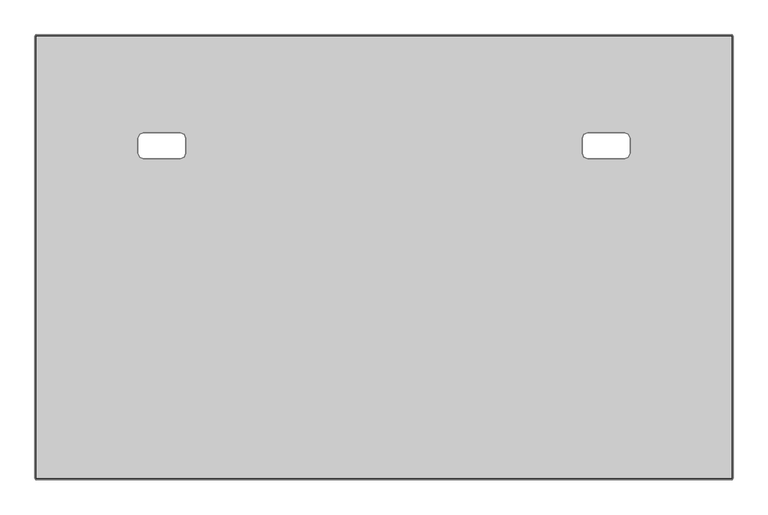
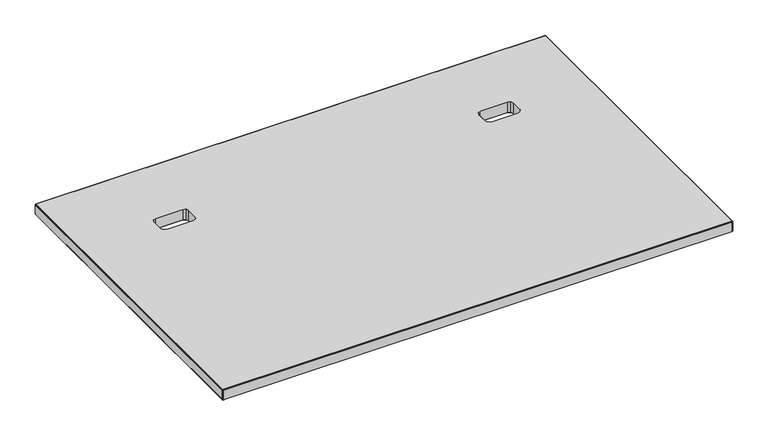
"""IFC4 building model written with IfcOpenShell, lengths in millimetres: furniture geometry."""

from ifc_helpers import new_model, si_unit, origin, place, context, project, spatial, triangles, source, transform, mapped, element, save


def furniture_ffc5294e(model_context):
    return source(origin(), model_context, "Body", "Tessellation", [
        triangles([(254.3709924, -267.0343909, 738.1239864), (2.634996, -824.6684132, 738.1239864), (1216.5250179, -824.6684132, 738.1239864), (964.7890028, -267.0343909, 738.1239864), (263.9009884, -257.5043949, 738.1239864), (955.2589886, -257.5043949, 738.1239864), (958.0502426, -264.2431187, 738.1239864), (261.1097162, -264.2431187, 738.1239864), (263.9009884, -231.098394, 738.1239864), (955.2589886, -231.098394, 738.1239864), (189.8649915, -267.0343909, 738.1239864), (183.1262677, -264.2431187, 738.1239864), (180.3349955, -257.5043949, 738.1239864), (2.634996, -52.9523956, 738.1239864), (180.3349955, -231.098394, 738.1239864), (958.0502426, -224.3596702, 738.1239864), (261.1097162, -224.3596702, 738.1239864), (254.3709924, -221.568398, 738.1239864), (964.7890028, -221.568398, 738.1239864), (183.1262677, -224.3596702, 738.1239864), (189.8649915, -221.568398, 738.1239864), (1216.5250179, -52.9523956, 738.1239864), (1029.2950218, -267.0343909, 738.1239864), (1036.0337093, -264.2431187, 738.1239864), (1038.8249634, -257.5043949, 738.1239864), (1038.8249634, -231.098394, 738.1239864), (1036.0337093, -224.3596702, 738.1239864), (1029.2950218, -221.568398, 738.1239864), (964.7890028, -267.0343909, 711.1999758), (1216.5250179, -824.6684132, 711.1999758), (2.634996, -824.6684132, 711.1999758), (254.3709924, -267.0343909, 711.1999758), (261.1097162, -264.2431187, 711.1999758), (958.0502426, -264.2431187, 711.1999758), (955.2589886, -257.5043949, 711.1999758), (263.9009884, -257.5043949, 711.1999758), (955.2589886, -231.098394, 711.1999758), (263.9009884, -231.098394, 711.1999758), (189.8649915, -267.0343909, 711.1999758), (183.1262677, -264.2431187, 711.1999758), (180.3349955, -257.5043949, 711.1999758), (180.3349955, -231.098394, 711.1999758), (2.634996, -52.9523956, 711.1999758), (261.1097162, -224.3596702, 711.1999758), (958.0502426, -224.3596702, 711.1999758), (254.3709924, -221.568398, 711.1999758), (964.7890028, -221.568398, 711.1999758), (183.1262677, -224.3596702, 711.1999758), (189.8649915, -221.568398, 711.1999758), (1216.5250179, -52.9523956, 711.1999758), (1029.2950218, -267.0343909, 711.1999758), (1036.0337093, -264.2431187, 711.1999758), (1038.8249634, -257.5043949, 711.1999758), (1038.8249634, -231.098394, 711.1999758), (1036.0337093, -224.3596702, 711.1999758), (1029.2950218, -221.568398, 711.1999758)], [[1, 2, 3], [1, 3, 4], [5, 6, 7], [5, 7, 8], [8, 7, 4], [8, 4, 1], [9, 5, 6], [9, 6, 10], [11, 2, 1], [12, 2, 11], [13, 2, 12], [14, 2, 13], [14, 13, 15], [9, 10, 16], [9, 16, 17], [17, 16, 18], [16, 19, 18], [14, 15, 20], [14, 20, 21], [14, 18, 19], [14, 19, 22], [14, 21, 18], [23, 4, 3], [24, 23, 3], [25, 24, 3], [26, 25, 3], [26, 3, 22], [22, 27, 26], [22, 28, 27], [22, 19, 28], [29, 30, 31], [29, 31, 32], [33, 34, 35], [33, 35, 36], [32, 29, 34], [32, 34, 33], [37, 35, 36], [37, 36, 38], [39, 32, 31], [40, 39, 31], [41, 40, 31], [42, 41, 43], [41, 31, 43], [44, 45, 37], [44, 37, 38], [46, 47, 45], [46, 45, 44], [43, 48, 42], [43, 49, 48], [50, 47, 46], [50, 46, 43], [43, 46, 49], [51, 30, 29], [52, 30, 51], [53, 30, 52], [50, 30, 53], [50, 53, 54], [50, 54, 55], [50, 55, 56], [50, 56, 47]], closed=False),
        triangles([(0.634996, -824.6684132, 736.1240358), (1.2207825, -826.0826437, 736.1240358), (1.634996, -825.6684248, 737.5381937), (1.2207825, -824.6684132, 737.5381937), (2.634996, -824.6684132, 738.1239864), (2.634996, -826.0826437, 737.5381937), (2.634996, -826.6683638, 736.1240358), (0.634996, -824.6684132, 713.199999), (1.2207825, -826.0826437, 713.199999), (2.634996, -826.6683638, 713.199999), (0.634996, -52.9523956, 736.1240358), (1.2207825, -51.5381832, 736.1240358), (1.634996, -51.9523976, 737.5381937), (1.2207825, -52.9523956, 737.5381937), (2.634996, -52.9523956, 738.1239864), (2.634996, -51.5381832, 737.5381937), (2.634996, -50.952395, 736.1240358), (0.634996, -52.9523956, 713.199999), (1.2207825, -51.5381832, 713.199999), (2.634996, -50.952395, 713.199999), (1218.5395752, -824.6684132, 736.1240358), (1217.9537825, -826.0826437, 736.1240358), (1217.5395636, -825.6684248, 737.5381937), (1217.9537825, -824.6684132, 737.5381937), (1216.5396246, -824.6684132, 738.1239864), (1216.5396246, -826.0826437, 737.5381937), (1216.5396246, -826.6683638, 736.1240358), (1218.5395752, -824.6684132, 713.199999), (1217.9537825, -826.0826437, 713.199999), (1216.5396246, -826.6683638, 713.199999), (1218.5395752, -52.9523956, 736.1240358), (1217.9537825, -51.5381832, 736.1240358), (1217.9537825, -52.9523956, 737.5381937), (1217.5395636, -51.9523976, 737.5381937), (1216.5396246, -52.9523956, 738.1239864), (1216.5396246, -51.5381832, 737.5381937), (1216.5396246, -50.952395, 736.1240358), (1218.5395752, -52.9523956, 713.199999), (1217.9537825, -51.5381832, 713.199999), (1216.5396246, -50.952395, 713.199999), (1.634996, -825.6684248, 711.7857685), (1.2207825, -824.6684132, 711.7857685), (2.634996, -824.6684132, 711.1999758), (2.634996, -826.0826437, 711.7857685), (1.634996, -51.9523976, 711.7857685), (1.2207825, -52.9523956, 711.7857685), (2.634996, -52.9523956, 711.1999758), (2.634996, -51.5381832, 711.7857685), (1217.9537825, -824.6684132, 711.7857685), (1217.5395636, -825.6684248, 711.7857685), (1216.5396246, -824.6684132, 711.1999758), (1216.5396246, -826.0826437, 711.7857685), (1217.5395636, -51.9523976, 711.7857685), (1217.9537825, -52.9523956, 711.7857685), (1216.5396246, -52.9523956, 711.1999758), (1216.5396246, -51.5381832, 711.7857685), (189.8649915, -221.568398, 738.1239864), (189.8649915, -221.568398, 711.1999758), (254.3709924, -221.568398, 738.1239864), (254.3709924, -221.568398, 711.1999758), (180.3349955, -257.5043949, 738.1239864), (180.3349955, -257.5043949, 711.1999758), (180.3349955, -231.098394, 711.1999758), (180.3349955, -231.098394, 738.1239864), (254.3709924, -267.0343909, 738.1239864), (254.3709924, -267.0343909, 711.1999758), (189.8649915, -267.0343909, 711.1999758), (189.8649915, -267.0343909, 738.1239864), (263.9009884, -231.098394, 738.1239864), (263.9009884, -231.098394, 711.1999758), (263.9009884, -257.5043949, 738.1239864), (263.9009884, -257.5043949, 711.1999758), (964.7890028, -221.568398, 738.1239864), (964.7890028, -221.568398, 711.1999758), (1029.2950218, -221.568398, 738.1239864), (1029.2950218, -221.568398, 711.1999758), (1038.8249634, -231.098394, 738.1239864), (1038.8249634, -231.098394, 711.1999758), (1038.8249634, -257.5043949, 738.1239864), (1038.8249634, -257.5043949, 711.1999758), (1029.2950218, -267.0343909, 738.1239864), (1029.2950218, -267.0343909, 711.1999758), (964.7890028, -267.0343909, 711.1999758), (964.7890028, -267.0343909, 738.1239864), (955.2589886, -257.5043949, 738.1239864), (955.2589886, -257.5043949, 711.1999758), (955.2589886, -231.098394, 711.1999758), (955.2589886, -231.098394, 738.1239864), (958.0502426, -264.2431187, 711.1999758), (958.0502426, -264.2431187, 738.1239864), (1036.0337093, -224.3596702, 711.1999758), (1036.0337093, -224.3596702, 738.1239864), (1036.0337093, -264.2431187, 711.1999758), (1036.0337093, -264.2431187, 738.1239864), (958.0502426, -224.3596702, 738.1239864), (958.0502426, -224.3596702, 711.1999758), (261.1097162, -264.2431187, 738.1239864), (261.1097162, -264.2431187, 711.1999758), (183.1262677, -224.3596702, 711.1999758), (183.1262677, -224.3596702, 738.1239864), (183.1262677, -264.2431187, 711.1999758), (183.1262677, -264.2431187, 738.1239864), (261.1097162, -224.3596702, 711.1999758), (261.1097162, -224.3596702, 738.1239864)], [[1, 2, 3], [1, 3, 4], [4, 3, 5], [5, 6, 3], [3, 6, 2], [6, 7, 2], [1, 8, 9], [1, 9, 2], [2, 9, 10], [2, 10, 7], [11, 12, 13], [11, 13, 14], [14, 13, 15], [15, 16, 13], [13, 16, 12], [16, 17, 12], [11, 18, 19], [11, 19, 12], [12, 19, 20], [12, 20, 17], [21, 22, 23], [21, 23, 24], [24, 23, 25], [25, 26, 23], [23, 26, 27], [23, 27, 22], [21, 28, 29], [21, 29, 22], [22, 29, 30], [22, 30, 27], [31, 32, 33], [32, 34, 33], [33, 34, 35], [35, 36, 34], [34, 36, 37], [34, 37, 32], [31, 38, 39], [31, 39, 32], [32, 39, 40], [32, 40, 37], [5, 25, 26], [5, 26, 6], [6, 26, 27], [6, 27, 7], [15, 5, 4], [15, 4, 14], [14, 4, 1], [14, 1, 11], [35, 15, 16], [35, 16, 36], [36, 16, 17], [36, 17, 37], [25, 35, 33], [25, 33, 24], [24, 33, 31], [24, 31, 21], [7, 10, 30], [7, 30, 27], [21, 28, 38], [21, 38, 31], [11, 18, 8], [11, 8, 1], [37, 40, 20], [37, 20, 17], [8, 9, 41], [8, 41, 42], [42, 41, 43], [43, 44, 41], [41, 44, 10], [41, 10, 9], [18, 19, 45], [18, 45, 46], [46, 45, 47], [47, 48, 45], [45, 48, 20], [45, 20, 19], [28, 29, 49], [29, 50, 49], [49, 50, 51], [51, 52, 50], [50, 52, 30], [50, 30, 29], [38, 39, 53], [38, 53, 54], [54, 53, 55], [55, 56, 53], [53, 56, 39], [56, 40, 39], [43, 51, 52], [43, 52, 44], [44, 52, 30], [44, 30, 10], [47, 43, 42], [47, 42, 46], [46, 42, 8], [46, 8, 18], [55, 47, 48], [55, 48, 56], [56, 48, 20], [56, 20, 40], [51, 55, 54], [51, 54, 49], [49, 54, 38], [49, 38, 28], [57, 58, 59], [58, 60, 59], [61, 62, 63], [61, 63, 64], [65, 66, 67], [65, 67, 68], [69, 70, 71], [70, 72, 71], [73, 74, 75], [74, 76, 75], [77, 78, 79], [78, 80, 79], [81, 82, 83], [81, 83, 84], [85, 86, 87], [85, 87, 88], [85, 86, 89], [85, 89, 90], [90, 89, 83], [90, 83, 84], [77, 78, 91], [77, 91, 92], [92, 91, 76], [92, 76, 75], [81, 82, 93], [81, 93, 94], [94, 93, 79], [93, 80, 79], [87, 88, 95], [87, 95, 96], [96, 95, 73], [96, 73, 74], [71, 72, 97], [72, 98, 97], [97, 98, 66], [97, 66, 65], [64, 63, 99], [64, 99, 100], [100, 99, 57], [99, 58, 57], [68, 67, 101], [68, 101, 102], [102, 101, 62], [102, 62, 61], [70, 69, 103], [69, 104, 103], [103, 104, 60], [104, 59, 60]], closed=False),
    ])


if __name__ == "__main__":
    model = new_model("IFC4")
    model_context = context("Model", 3, world=origin())
    ifc_project = project(units=[si_unit("LENGTHUNIT", "METRE", prefix="MILLI")], contexts=[model_context])
    site = spatial("IfcSite", under=ifc_project)
    building = spatial("IfcBuilding", under=site)
    placement = place(None, origin())
    furniture_shape = furniture_ffc5294e(model_context)
    element("IfcFurniture", 1, at=placement, inside=building, context=model_context, shape_type="MappedRepresentation", body=[
        mapped(furniture_shape, transform((0.0, 0.0, 0.0), x_axis=(1.0, 0.0, 0.0), y_axis=(0.0, 1.0, 0.0), z_axis=(0.0, 0.0, 1.0))),
    ])
    save(model, "model.ifc")
